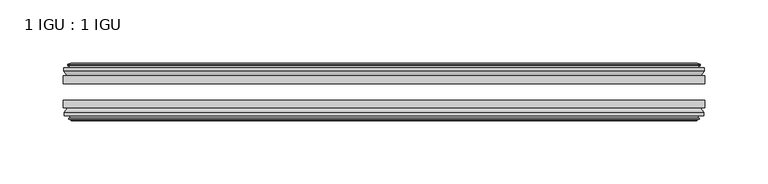
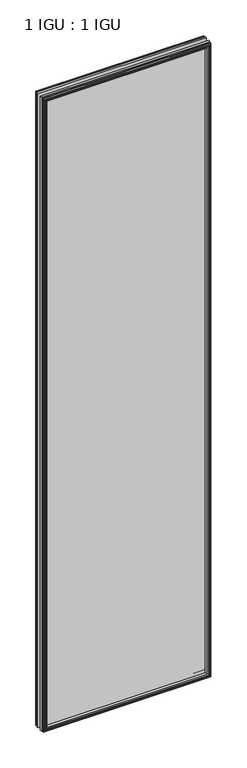
"""IFC4 building model written with IfcOpenShell, lengths in millimetres: plate geometry, 1 IGU : 1 IGU."""

from ifc_helpers import new_model, si_unit, frame, origin, place, context, project, spatial, polyline, outline, extrude, faceted_brep, source, transform, mapped, element, save


def plate_1_igu_1_igu_a6fd4e3f(model_context):
    return source(origin(), model_context, "Body", "SolidModel", [
        extrude(outline(polyline([(253.4683132, -19.5460937), (253.4683132, -25.8960938), (-253.4683132, -25.8960938), (-253.4683132, -19.5460937), (253.4683132, -19.5460937)])), frame((0.0, 0.0, -12.7), z_axis=(0.0, 0.0, 1.0), x_axis=(1.0, 0.0, 0.0)), (0.0, 0.0, 1.0), 2019.289595),
        extrude(outline(polyline([(-253.4683132, -44.9460938), (-253.4683132, -38.9186737), (253.4683132, -38.9186737), (253.4683132, -44.9460938), (-253.4683132, -44.9460938)])), frame((0.0, 0.0, -12.7), z_axis=(0.0, 0.0, 1.0), x_axis=(1.0, 0.0, 0.0)), (0.0, 0.0, 1.0), 2019.289595),
        faceted_brep([(-247.8803132, -53.6762907, 2001.001595), (-248.2613132, -51.2960937, 2001.382595), (-248.2613132, -51.2960937, -7.493), (-247.8803132, -53.6762907, -7.112), (-249.2958422, -53.2163575, 2002.4171241), (-249.2958422, -53.2163575, -8.5275291), (-249.2958422, -54.0175717, 2002.4171241), (-249.2958422, -54.0175717, -8.5275291), (-247.1183132, -54.7250937, 2000.239595), (-247.1183132, -54.7250937, -6.35), (-244.9407841, -54.0175717, 1998.062066), (-244.9407841, -54.0175717, -4.1724709), (-244.9407841, -53.2163575, 1998.062066), (-244.9407841, -53.2163575, -4.1724709), (-246.3563132, -53.6762907, 1999.477595), (-246.3563132, -53.6762907, -5.588), (-245.9753132, -51.2960937, 1999.096595), (-245.9753132, -51.2960937, -5.207), (-239.0505951, -44.9460937, 1992.171877), (-240.7683132, -51.2960937, 1993.889595), (-240.7683132, -51.2960937, 0.0), (-239.0505951, -44.9460937, 1.7177181), (-252.7063132, -48.3496937, 2005.827595), (-249.871971, -44.9460937, 2002.9932529), (-249.871971, -44.9460937, -9.1036578), (-252.7063132, -48.3496937, -11.938), (-252.7063132, -51.2960937, 2005.827595), (-252.7063132, -51.2960937, -11.938), (248.2613132, -51.2960938, -7.493), (247.8803132, -53.6762907, -7.112), (249.2958422, -53.2163575, -8.5275291), (249.2958422, -54.0175717, -8.5275291), (247.1183132, -54.7250937, -6.35), (244.9407841, -54.0175717, -4.1724709), (244.9407841, -53.2163575, -4.1724709), (246.3563132, -53.6762907, -5.588), (245.9753132, -51.2960937, -5.207), (240.7683132, -51.2960937, 0.0), (239.0505951, -44.9460937, 1.7177181), (249.871971, -44.9460937, -9.1036578), (252.7063132, -48.3496937, -11.938), (252.7063132, -51.2960938, -11.938), (248.2613132, -51.2960938, 2001.382595), (247.8803132, -53.6762907, 2001.001595), (249.2958422, -53.2163575, 2002.4171241), (249.2958422, -54.0175717, 2002.4171241), (247.1183132, -54.7250937, 2000.239595), (244.9407841, -54.0175717, 1998.062066), (244.9407841, -53.2163575, 1998.062066), (246.3563132, -53.6762907, 1999.477595), (245.9753132, -51.2960937, 1999.096595), (240.7683132, -51.2960937, 1993.889595), (239.0505951, -44.9460937, 1992.171877), (249.871971, -44.9460937, 2002.9932529), (252.7063132, -48.3496937, 2005.827595), (252.7063132, -51.2960938, 2005.827595)], [[[0, 1, 2, 3]], [[4, 0, 3, 5]], [[6, 4, 5, 7]], [[8, 6, 7, 9]], [[10, 8, 9, 11]], [[12, 10, 11, 13]], [[14, 12, 13, 15]], [[16, 14, 15, 17]], [[18, 19, 20, 21]], [[22, 23, 24, 25]], [[26, 22, 25, 27]], [[3, 2, 28, 29]], [[5, 3, 29, 30]], [[7, 5, 30, 31]], [[9, 7, 31, 32]], [[11, 9, 32, 33]], [[13, 11, 33, 34]], [[15, 13, 34, 35]], [[17, 15, 35, 36]], [[21, 20, 37, 38]], [[25, 24, 39, 40]], [[27, 25, 40, 41]], [[29, 28, 42, 43]], [[30, 29, 43, 44]], [[31, 30, 44, 45]], [[32, 31, 45, 46]], [[33, 32, 46, 47]], [[34, 33, 47, 48]], [[35, 34, 48, 49]], [[36, 35, 49, 50]], [[38, 37, 51, 52]], [[40, 39, 53, 54]], [[41, 40, 54, 55]], [[27, 41, 55, 26], [1, 42, 28, 2]], [[43, 42, 1, 0]], [[44, 43, 0, 4]], [[45, 44, 4, 6]], [[46, 45, 6, 8]], [[47, 46, 8, 10]], [[48, 47, 10, 12]], [[49, 48, 12, 14]], [[50, 49, 14, 16]], [[17, 36, 50, 16], [19, 51, 37, 20]], [[52, 51, 19, 18]], [[23, 53, 39, 24], [21, 38, 52, 18]], [[54, 53, 23, 22]], [[55, 54, 22, 26]]]),
        faceted_brep([(-250.392671, -19.5460937, 2003.5139529), (-253.2270132, -16.1424937, 2006.348295), (-253.2270132, -16.1424937, -12.4587), (-250.392671, -19.5460937, -9.6243578), (-241.2890132, -13.1960937, 1994.410295), (-239.5712951, -19.5460937, 1992.692577), (-239.5712951, -19.5460937, 1.1970181), (-241.2890132, -13.1960937, -0.5207), (-246.8770132, -10.8158968, 1999.998295), (-246.4960132, -13.1960937, 1999.617295), (-246.4960132, -13.1960937, -5.7277), (-246.8770132, -10.8158968, -6.1087), (-245.4614841, -11.27583, 1998.582766), (-245.4614841, -11.27583, -4.6931709), (-245.4614841, -10.4746158, 1998.582766), (-245.4614841, -10.4746158, -4.6931709), (-247.6390132, -9.7670937, 2000.760295), (-247.6390132, -9.7670937, -6.8707), (-249.8165422, -10.4746158, 2002.9378241), (-249.8165422, -10.4746158, -9.0482291), (-249.8165422, -11.27583, 2002.9378241), (-249.8165422, -11.27583, -9.0482291), (-248.4010132, -10.8158968, 2001.522295), (-248.4010132, -10.8158968, -7.6327), (-248.7820132, -13.1960937, 2001.903295), (-248.7820132, -13.1960937, -8.0137), (-253.2270132, -13.1960937, 2006.348295), (-253.2270132, -13.1960937, -12.4587), (253.2270132, -16.1424937, -12.4587), (250.392671, -19.5460937, -9.6243578), (239.5712951, -19.5460937, 1.1970181), (241.2890132, -13.1960937, -0.5207), (246.4960132, -13.1960937, -5.7277), (246.8770132, -10.8158968, -6.1087), (245.4614841, -11.27583, -4.6931709), (245.4614841, -10.4746158, -4.6931709), (247.6390132, -9.7670937, -6.8707), (249.8165422, -10.4746158, -9.0482291), (249.8165422, -11.27583, -9.0482291), (248.4010132, -10.8158968, -7.6327), (248.7820132, -13.1960937, -8.0137), (253.2270132, -13.1960937, -12.4587), (253.2270132, -16.1424937, 2006.348295), (250.392671, -19.5460937, 2003.5139529), (239.5712951, -19.5460937, 1992.692577), (241.2890132, -13.1960937, 1994.410295), (246.4960132, -13.1960937, 1999.617295), (246.8770132, -10.8158968, 1999.998295), (245.4614841, -11.27583, 1998.582766), (245.4614841, -10.4746158, 1998.582766), (247.6390132, -9.7670937, 2000.760295), (249.8165422, -10.4746158, 2002.9378241), (249.8165422, -11.27583, 2002.9378241), (248.4010132, -10.8158968, 2001.522295), (248.7820132, -13.1960937, 2001.903295), (253.2270132, -13.1960937, 2006.348295)], [[[0, 1, 2, 3]], [[4, 5, 6, 7]], [[8, 9, 10, 11]], [[12, 8, 11, 13]], [[14, 12, 13, 15]], [[16, 14, 15, 17]], [[18, 16, 17, 19]], [[20, 18, 19, 21]], [[22, 20, 21, 23]], [[24, 22, 23, 25]], [[1, 26, 27, 2]], [[3, 2, 28, 29]], [[7, 6, 30, 31]], [[11, 10, 32, 33]], [[13, 11, 33, 34]], [[15, 13, 34, 35]], [[17, 15, 35, 36]], [[19, 17, 36, 37]], [[21, 19, 37, 38]], [[23, 21, 38, 39]], [[25, 23, 39, 40]], [[2, 27, 41, 28]], [[29, 28, 42, 43]], [[31, 30, 44, 45]], [[33, 32, 46, 47]], [[34, 33, 47, 48]], [[35, 34, 48, 49]], [[36, 35, 49, 50]], [[37, 36, 50, 51]], [[38, 37, 51, 52]], [[39, 38, 52, 53]], [[40, 39, 53, 54]], [[28, 41, 55, 42]], [[43, 42, 1, 0]], [[3, 29, 43, 0], [5, 44, 30, 6]], [[45, 44, 5, 4]], [[9, 46, 32, 10], [7, 31, 45, 4]], [[47, 46, 9, 8]], [[48, 47, 8, 12]], [[49, 48, 12, 14]], [[50, 49, 14, 16]], [[51, 50, 16, 18]], [[52, 51, 18, 20]], [[53, 52, 20, 22]], [[54, 53, 22, 24]], [[26, 55, 41, 27], [25, 40, 54, 24]], [[42, 55, 26, 1]]]),
    ])


if __name__ == "__main__":
    model = new_model("IFC4")
    model_context = context("Model", 3, world=origin())
    ifc_project = project(units=[si_unit("LENGTHUNIT", "METRE", prefix="MILLI")], contexts=[model_context])
    site = spatial("IfcSite", under=ifc_project)
    building = spatial("IfcBuilding", under=site)
    placement = place(None, origin())
    plate_1_igu_1_igu_shape = plate_1_igu_1_igu_a6fd4e3f(model_context)
    element("IfcPlate", 1, ObjectType="1 IGU : 1 IGU", at=placement, inside=building, context=model_context, shape_type="MappedRepresentation", body=[
        mapped(plate_1_igu_1_igu_shape, transform((0.0, 0.0, 0.0), x_axis=(1.0, 0.0, 0.0), y_axis=(0.0, 1.0, 0.0), z_axis=(0.0, 0.0, 1.0))),
    ])
    save(model, "model.ifc")
